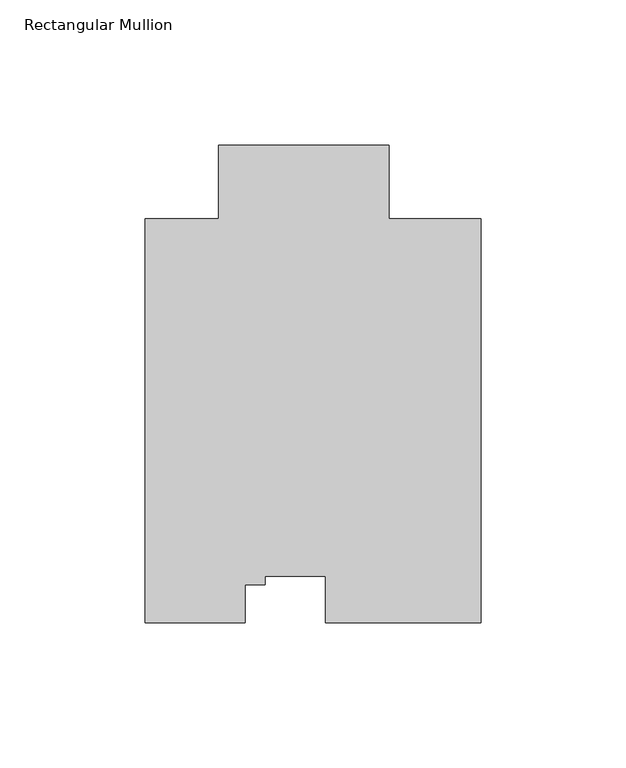
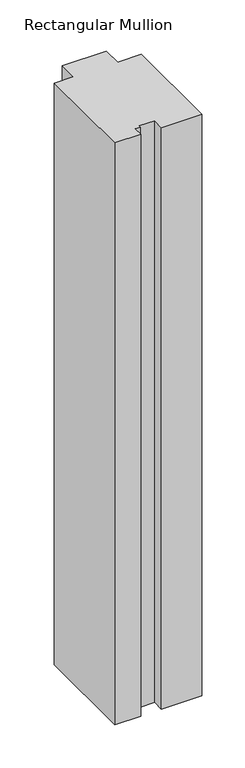
"""IFC4 building model written with IfcOpenShell, lengths in millimetres: member geometry, Rectangular Mullion."""

from ifc_helpers import new_model, si_unit, frame, origin, place, context, project, spatial, polyline, outline, extrude, source, transform, mapped, element, save


def rectangular_mullion_0555e649(model_context):
    return source(origin(), model_context, "Body", "SweptSolid", [
        extrude(outline(polyline([(27.0108561, -164.6039063), (-26.6042364, -164.6039063), (-26.6042364, -148.7055018), (-47.5508893, -148.7055018), (-47.5508893, -151.560107), (-54.4088891, -151.560107), (-54.4088891, -164.6039062), (-88.9, -164.6039062), (-88.9, -25.4123588), (-63.5001132, -25.4118416), (-63.5001132, -0.0119063), (-4.7391904, -0.0119063), (-4.7391904, -25.4123588), (27.0108561, -25.4123588), (27.0108561, -164.6039063)])), frame((0.0, 0.0, -819.3400776), z_axis=(0.0, 0.0, 1.0), x_axis=(1.0, 0.0, 0.0)), (0.0, 0.0, 1.0), 819.3400776),
    ])


if __name__ == "__main__":
    model = new_model("IFC4")
    model_context = context("Model", 3, world=origin())
    ifc_project = project(units=[si_unit("LENGTHUNIT", "METRE", prefix="MILLI")], contexts=[model_context])
    site = spatial("IfcSite", under=ifc_project)
    building = spatial("IfcBuilding", under=site)
    placement = place(None, origin())
    rectangular_mullion_shape = rectangular_mullion_0555e649(model_context)
    element("IfcMember", 1, ObjectType="Rectangular Mullion", at=placement, inside=building, context=model_context, shape_type="MappedRepresentation", body=[
        mapped(rectangular_mullion_shape, transform((0.0, 0.0, 0.0), x_axis=(1.0, 0.0, 0.0), y_axis=(0.0, 1.0, 0.0), z_axis=(0.0, 0.0, 1.0))),
    ])
    save(model, "model.ifc")
